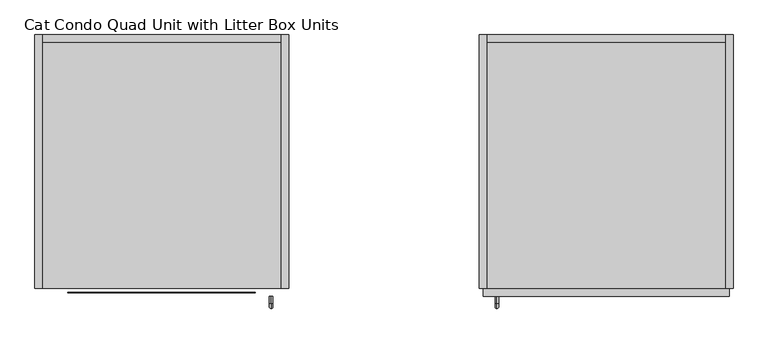
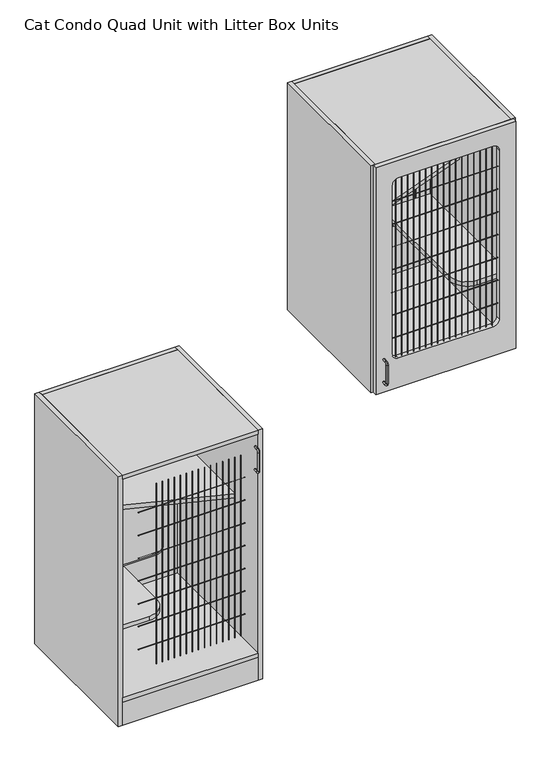
"""IFC4 building model written with IfcOpenShell, lengths in millimetres: proxy geometry, Cat Condo Quad Unit with Litter Box Units."""

from ifc_helpers import new_model, si_unit, point, frame, frame_2d, origin, origin_with_axes, place, context, project, spatial, polyline, circle_curve, ellipse_curve, trimmed, segment, composite_curve, outline, extrude, source, transform, mapped, element, save
from ifc_brep_helpers import plane_surface, cylinder_surface, revolved_surface, advanced_brep


def cat_condo_quad_unit_with_litter_box_units_7c416937(model_context):
    return source(origin(), model_context, "Body", "SolidModel", [
        advanced_brep(
        [(1109.2871577, -19.05, 1256.5493154), (1109.2871577, -19.05, 1264.4006846), (1109.2871577, -35.2117768, 1264.4006846), (1109.2871577, -35.2117768, 1256.5493154), (1109.2871577, -48.3756846, 1251.2367768), (1109.2871577, -40.5243154, 1251.2367768), (1109.2871577, -48.3756846, 1168.1132232), (1109.2871577, -40.5243154, 1168.1132232), (1109.2871577, -35.2117768, 1154.9493154), (1109.2871577, -35.2117768, 1162.8006846), (1109.2871577, -19.05, 1162.8006846), (1109.2871577, -19.05, 1154.9493154)],
        [
            (0, 1, circle_curve(frame((1109.2871577, -19.05, 1260.475), z_axis=(0.0, 1.0, 0.0), x_axis=(0.0, 0.0, 1.0)), 3.9256846)),
            (1, 0, circle_curve(frame((1109.2871577, -19.05, 1260.475), z_axis=(0.0, 1.0, 0.0), x_axis=(0.0, 0.0, 1.0)), 3.9256846)),
            (1, 2),
            (2, 3, circle_curve(frame((1109.2871577, -35.2117768, 1260.475), z_axis=(0.0, 1.0, 0.0), x_axis=(0.0, 0.0, 1.0)), 3.9256846)),
            (3, 0),
            (3, 2, circle_curve(frame((1109.2871577, -35.2117768, 1260.475), z_axis=(0.0, 1.0, 0.0), x_axis=(0.0, 0.0, 1.0)), 3.9256846)),
            (4, 5, circle_curve(frame((1109.2871577, -44.45, 1251.2367768), z_axis=(0.0, 0.0, 1.0), x_axis=(0.0, -1.0, 0.0)), 3.9256846)),
            (5, 3, circle_curve(frame((1109.2871577, -35.2117768, 1251.2367768), z_axis=(-1.0, 0.0, 0.0), x_axis=(0.0, 0.0, 1.0)), 5.3125387)),
            (2, 4, circle_curve(frame((1109.2871577, -35.2117768, 1251.2367768), z_axis=(1.0, 0.0, 0.0), x_axis=(0.0, 0.0, 1.0)), 13.1639078)),
            (5, 4, circle_curve(frame((1109.2871577, -44.45, 1251.2367768), z_axis=(0.0, 0.0, 1.0), x_axis=(0.0, -1.0, 0.0)), 3.9256846)),
            (4, 6),
            (6, 7, circle_curve(frame((1109.2871577, -44.45, 1168.1132232), z_axis=(0.0, 0.0, 1.0), x_axis=(0.0, -1.0, 0.0)), 3.9256846)),
            (7, 5),
            (7, 6, circle_curve(frame((1109.2871577, -44.45, 1168.1132232), z_axis=(0.0, 0.0, 1.0), x_axis=(0.0, -1.0, 0.0)), 3.9256846)),
            (8, 9, circle_curve(frame((1109.2871577, -35.2117768, 1158.875), z_axis=(0.0, -1.0, 0.0), x_axis=(0.0, 0.0, -1.0)), 3.9256846)),
            (9, 7, circle_curve(frame((1109.2871577, -35.2117768, 1168.1132232), z_axis=(-1.0, 0.0, 0.0), x_axis=(0.0, -1.0, 0.0)), 5.3125387)),
            (6, 8, circle_curve(frame((1109.2871577, -35.2117768, 1168.1132232), z_axis=(1.0, 0.0, 0.0), x_axis=(0.0, -1.0, 0.0)), 13.1639078)),
            (9, 8, circle_curve(frame((1109.2871577, -35.2117768, 1158.875), z_axis=(0.0, -1.0, 0.0), x_axis=(0.0, 0.0, -1.0)), 3.9256846)),
            (10, 11, circle_curve(frame((1109.2871577, -19.05, 1158.875), z_axis=(0.0, 1.0, 0.0), x_axis=(0.0, 0.0, -1.0)), 3.9256846)),
            (11, 10, circle_curve(frame((1109.2871577, -19.05, 1158.875), z_axis=(0.0, 1.0, 0.0), x_axis=(0.0, 0.0, -1.0)), 3.9256846)),
            (8, 11),
            (10, 9),
        ],
        [
            plane_surface(frame((1109.2871577, -19.05, 1260.475), z_axis=(0.0, 1.0, 0.0), x_axis=(-1.0, 0.0, 0.0))),
            cylinder_surface(frame((1109.2871577, -19.05, 1260.475), z_axis=(0.0, 1.0, 0.0), x_axis=(0.0, 0.0, 1.0)), 3.9256846),
            revolved_surface(trimmed(ellipse_curve(frame((1109.2871577, -35.2117768, 1260.475), z_axis=(0.0, -1.0, 0.0), x_axis=(0.0, 0.0, 1.0)), 3.9256846, 3.9256846), [point((1109.2871577, -35.2117768, 1256.5493154))], [point((1109.2871577, -35.2117768, 1264.4006846))], True, "CARTESIAN"), (1109.2871577, -35.2117768, 1251.2367768), (-1.0, 0.0, 0.0)),
            revolved_surface(trimmed(ellipse_curve(frame((1109.2871577, -35.2117768, 1260.475), z_axis=(0.0, -1.0, 0.0), x_axis=(0.0, 0.0, 1.0)), 3.9256846, 3.9256846), [point((1109.2871577, -35.2117768, 1264.4006846))], [point((1109.2871577, -35.2117768, 1256.5493154))], True, "CARTESIAN"), (1109.2871577, -35.2117768, 1251.2367768), (-1.0, 0.0, 0.0)),
            cylinder_surface(frame((1109.2871577, -44.45, 1251.2367768), z_axis=(0.0, 0.0, 1.0), x_axis=(0.0, -1.0, 0.0)), 3.9256846),
            revolved_surface(trimmed(ellipse_curve(frame((1109.2871577, -44.45, 1168.1132232), z_axis=(0.0, 0.0, -1.0), x_axis=(0.0, -1.0, 0.0)), 3.9256846, 3.9256846), [point((1109.2871577, -40.5243154, 1168.1132232))], [point((1109.2871577, -48.3756846, 1168.1132232))], True, "CARTESIAN"), (1109.2871577, -35.2117768, 1168.1132232), (-1.0, 0.0, 0.0)),
            revolved_surface(trimmed(ellipse_curve(frame((1109.2871577, -44.45, 1168.1132232), z_axis=(0.0, 0.0, -1.0), x_axis=(0.0, -1.0, 0.0)), 3.9256846, 3.9256846), [point((1109.2871577, -48.3756846, 1168.1132232))], [point((1109.2871577, -40.5243154, 1168.1132232))], True, "CARTESIAN"), (1109.2871577, -35.2117768, 1168.1132232), (-1.0, 0.0, 0.0)),
            plane_surface(frame((1109.2871577, -19.05, 1158.875), z_axis=(0.0, 1.0, 0.0), x_axis=(-1.0, 0.0, 0.0))),
            cylinder_surface(frame((1109.2871577, -35.2117768, 1158.875), z_axis=(0.0, -1.0, 0.0), x_axis=(0.0, 0.0, -1.0)), 3.9256846),
        ],
        [
            (0, [[1, 2]]),
            (1, [[3, 4, 5, -2]]),
            (1, [[-5, 6, -3, -1]]),
            (2, [[7, 8, -4, 9]]),
            (3, [[10, -9, -6, -8]]),
            (4, [[11, 12, 13, -7]]),
            (4, [[-13, 14, -11, -10]]),
            (5, [[15, 16, -12, 17]]),
            (6, [[18, -17, -14, -16]]),
            (7, [[19, 20]]),
            (8, [[21, -19, 22, -15]]),
            (8, [[-22, -20, -21, -18]]),
        ],
    ),
        extrude(outline(polyline([(1085.85, 590.55), (1657.35, 590.55), (1657.35, 0.0), (1085.85, 0.0), (1085.85, 590.55)])), frame((0.0, 0.0, 2108.2), z_axis=(0.0, 0.0, 1.0), x_axis=(1.0, 0.0, 0.0)), (0.0, 0.0, 1.0), 19.05),
        extrude(outline(composite_curve([segment(trimmed(circle_curve(frame_2d((2022.475, 1172.36875)), 25.4), [point((2047.875, 1172.36875))], [point((2022.475, 1146.96875))], False, "CARTESIAN"), True, "CONTINUOUS"), segment(polyline([(2022.475, 1146.96875), (1270.0, 1146.96875)]), True, "CONTINUOUS"), segment(trimmed(circle_curve(frame_2d((1270.0, 1172.36875)), 25.4), [point((1270.0, 1146.96875))], [point((1244.6, 1172.36875))], False, "CARTESIAN"), True, "CONTINUOUS"), segment(polyline([(1244.6, 1172.36875), (1244.6, 1572.41875)]), True, "CONTINUOUS"), segment(trimmed(circle_curve(frame_2d((1270.0, 1572.41875)), 25.4), [point((1244.6, 1572.41875))], [point((1270.0, 1597.81875))], False, "CARTESIAN"), True, "CONTINUOUS"), segment(polyline([(1270.0, 1597.81875), (2022.475, 1597.81875)]), True, "CONTINUOUS"), segment(trimmed(circle_curve(frame_2d((2022.475, 1572.41875)), 25.4), [point((2022.475, 1597.81875))], [point((2047.875, 1572.41875))], False, "CARTESIAN"), True, "CONTINUOUS"), segment(polyline([(2047.875, 1572.41875), (2047.875, 1172.36875)]), True, "CONTINUOUS")], self_intersect=False)), frame((0.0, 596.9, 0.0), z_axis=(0.0, 1.0, 0.0), x_axis=(0.0, 0.0, 1.0)), (0.0, 0.0, 1.0), 6.35),
        extrude(outline(polyline([(2127.25, 1085.85), (1114.425, 1085.85), (1114.425, 1657.35), (2127.25, 1657.35), (2127.25, 1085.85)]), holes=[composite_curve([segment(trimmed(circle_curve(frame_2d((2022.475, 1172.36875)), 25.4), [point((2022.475, 1146.96875))], [point((2047.875, 1172.36875))], True, "CARTESIAN"), True, "CONTINUOUS"), segment(polyline([(2047.875, 1172.36875), (2047.875, 1572.41875)]), True, "CONTINUOUS"), segment(trimmed(circle_curve(frame_2d((2022.475, 1572.41875)), 25.4), [point((2047.875, 1572.41875))], [point((2022.475, 1597.81875))], True, "CARTESIAN"), True, "CONTINUOUS"), segment(polyline([(2022.475, 1597.81875), (1371.6, 1597.81875)]), True, "CONTINUOUS"), segment(trimmed(circle_curve(frame_2d((1371.6, 1572.41875)), 25.4), [point((1371.6, 1597.81875))], [point((1346.2, 1572.41875))], True, "CARTESIAN"), True, "CONTINUOUS"), segment(polyline([(1346.2, 1572.41875), (1346.2, 1172.36875)]), True, "CONTINUOUS"), segment(trimmed(circle_curve(frame_2d((1371.6, 1172.36875)), 25.4), [point((1346.2, 1172.36875))], [point((1371.6, 1146.96875))], True, "CARTESIAN"), True, "CONTINUOUS"), segment(polyline([(1371.6, 1146.96875), (2022.475, 1146.96875)]), True, "CONTINUOUS")], self_intersect=False)]), frame((0.0, 590.55, 0.0), z_axis=(0.0, 1.0, 0.0), x_axis=(0.0, 0.0, 1.0)), (0.0, 0.0, 1.0), 19.05),
        extrude(outline(polyline([(1085.85, 590.55), (1657.35, 590.55), (1657.35, 374.65), (1085.85, 166.6410111), (1085.85, 590.55)])), frame((0.0, 0.0, 1724.025), z_axis=(0.0, 0.0, 1.0), x_axis=(1.0, 0.0, 0.0)), (0.0, 0.0, 1.0), 19.05),
        extrude(outline(composite_curve([segment(polyline([(1454.15, 590.55), (1657.35, 590.55), (1657.35, 25.4), (1530.35, 25.4)]), True, "CONTINUOUS"), segment(trimmed(circle_curve(frame_2d((1530.35, 101.6)), 76.2), [point((1530.35, 25.4))], [point((1454.15, 101.6))], False, "CARTESIAN"), True, "CONTINUOUS"), segment(polyline([(1454.15, 101.6), (1454.15, 590.55)]), True, "CONTINUOUS")], self_intersect=False)), frame((0.0, 0.0, 1419.225), z_axis=(0.0, 0.0, 1.0), x_axis=(1.0, 0.0, 0.0)), (0.0, 0.0, 1.0), 19.05),
        extrude(outline(polyline([(1085.85, 0.0), (1085.85, 590.55), (1657.35, 590.55), (1657.35, 0.0), (1085.85, 0.0)])), frame((0.0, 0.0, 1114.425), z_axis=(0.0, 0.0, 1.0), x_axis=(1.0, 0.0, 0.0)), (0.0, 0.0, 1.0), 19.05),
        extrude(outline(polyline([(1085.85, 609.6), (1085.85, 0.0), (1066.8, 0.0), (1066.8, 609.6), (1085.85, 609.6)])), frame((0.0, 0.0, 1114.425), z_axis=(0.0, 0.0, 1.0), x_axis=(1.0, 0.0, 0.0)), (0.0, 0.0, 1.0), 1012.825),
        extrude(outline(polyline([(1657.35, 609.6), (1676.4, 609.6), (1676.4, 0.0), (1657.35, 0.0), (1657.35, 609.6)])), frame((0.0, 0.0, 1114.425), z_axis=(0.0, 0.0, 1.0), x_axis=(1.0, 0.0, 0.0)), (0.0, 0.0, 1.0), 1012.825),
        extrude(outline(composite_curve([segment(trimmed(circle_curve(frame_2d((-9.6602248, 1944.6875)), 0.79375), [point((-9.6602248, 1945.48125))], [point((-9.6602248, 1943.89375))], False, "CARTESIAN"), True, "CONTINUOUS"), segment(trimmed(circle_curve(frame_2d((-9.6602248, 1944.6875)), 0.79375), [point((-9.6602248, 1943.89375))], [point((-9.6602248, 1945.48125))], False, "CARTESIAN"), True, "CONTINUOUS")], self_intersect=False)), frame((1146.96875, 0.0, 0.0), z_axis=(1.0, 0.0, 0.0), x_axis=(0.0, 1.0, 0.0)), (0.0, 0.0, 1.0), 450.85),
        extrude(outline(composite_curve([segment(trimmed(circle_curve(frame_2d((-9.6602248, 1843.0875)), 0.79375), [point((-9.6602248, 1843.88125))], [point((-9.6602248, 1842.29375))], False, "CARTESIAN"), True, "CONTINUOUS"), segment(trimmed(circle_curve(frame_2d((-9.6602248, 1843.0875)), 0.79375), [point((-9.6602248, 1842.29375))], [point((-9.6602248, 1843.88125))], False, "CARTESIAN"), True, "CONTINUOUS")], self_intersect=False)), frame((1146.96875, 0.0, 0.0), z_axis=(1.0, 0.0, 0.0), x_axis=(0.0, 1.0, 0.0)), (0.0, 0.0, 1.0), 450.85),
        extrude(outline(composite_curve([segment(trimmed(circle_curve(frame_2d((-9.6602248, 1741.4875)), 0.79375), [point((-9.6602248, 1742.28125))], [point((-9.6602248, 1740.69375))], False, "CARTESIAN"), True, "CONTINUOUS"), segment(trimmed(circle_curve(frame_2d((-9.6602248, 1741.4875)), 0.79375), [point((-9.6602248, 1740.69375))], [point((-9.6602248, 1742.28125))], False, "CARTESIAN"), True, "CONTINUOUS")], self_intersect=False)), frame((1146.96875, 0.0, 0.0), z_axis=(1.0, 0.0, 0.0), x_axis=(0.0, 1.0, 0.0)), (0.0, 0.0, 1.0), 450.85),
        extrude(outline(composite_curve([segment(trimmed(circle_curve(frame_2d((-9.6602248, 1639.8875)), 0.79375), [point((-9.6602248, 1640.68125))], [point((-9.6602248, 1639.09375))], False, "CARTESIAN"), True, "CONTINUOUS"), segment(trimmed(circle_curve(frame_2d((-9.6602248, 1639.8875)), 0.79375), [point((-9.6602248, 1639.09375))], [point((-9.6602248, 1640.68125))], False, "CARTESIAN"), True, "CONTINUOUS")], self_intersect=False)), frame((1146.96875, 0.0, 0.0), z_axis=(1.0, 0.0, 0.0), x_axis=(0.0, 1.0, 0.0)), (0.0, 0.0, 1.0), 450.85),
        extrude(outline(composite_curve([segment(trimmed(circle_curve(frame_2d((-9.6602248, 1538.2875)), 0.79375), [point((-9.6602248, 1539.08125))], [point((-9.6602248, 1537.49375))], False, "CARTESIAN"), True, "CONTINUOUS"), segment(trimmed(circle_curve(frame_2d((-9.6602248, 1538.2875)), 0.79375), [point((-9.6602248, 1537.49375))], [point((-9.6602248, 1539.08125))], False, "CARTESIAN"), True, "CONTINUOUS")], self_intersect=False)), frame((1146.96875, 0.0, 0.0), z_axis=(1.0, 0.0, 0.0), x_axis=(0.0, 1.0, 0.0)), (0.0, 0.0, 1.0), 450.85),
        extrude(outline(composite_curve([segment(trimmed(circle_curve(frame_2d((-9.6602248, 1436.6875)), 0.79375), [point((-9.6602248, 1437.48125))], [point((-9.6602248, 1435.89375))], False, "CARTESIAN"), True, "CONTINUOUS"), segment(trimmed(circle_curve(frame_2d((-9.6602248, 1436.6875)), 0.79375), [point((-9.6602248, 1435.89375))], [point((-9.6602248, 1437.48125))], False, "CARTESIAN"), True, "CONTINUOUS")], self_intersect=False)), frame((1146.96875, 0.0, 0.0), z_axis=(1.0, 0.0, 0.0), x_axis=(0.0, 1.0, 0.0)), (0.0, 0.0, 1.0), 450.85),
        extrude(outline(composite_curve([segment(trimmed(circle_curve(frame_2d((-9.6602248, 1335.0875)), 0.79375), [point((-9.6602248, 1335.88125))], [point((-9.6602248, 1334.29375))], False, "CARTESIAN"), True, "CONTINUOUS"), segment(trimmed(circle_curve(frame_2d((-9.6602248, 1335.0875)), 0.79375), [point((-9.6602248, 1334.29375))], [point((-9.6602248, 1335.88125))], False, "CARTESIAN"), True, "CONTINUOUS")], self_intersect=False)), frame((1146.96875, 0.0, 0.0), z_axis=(1.0, 0.0, 0.0), x_axis=(0.0, 1.0, 0.0)), (0.0, 0.0, 1.0), 450.85),
        extrude(outline(composite_curve([segment(trimmed(circle_curve(frame_2d((1165.3080335, -9.6602248)), 0.79375), [point((1166.1017835, -9.6602248))], [point((1164.5142835, -9.6602248))], False, "CARTESIAN"), True, "CONTINUOUS"), segment(trimmed(circle_curve(frame_2d((1165.3080335, -9.6602248)), 0.79375), [point((1164.5142835, -9.6602248))], [point((1166.1017835, -9.6602248))], False, "CARTESIAN"), True, "CONTINUOUS")], self_intersect=False)), frame((0.0, 0.0, 1244.6), z_axis=(0.0, 0.0, 1.0), x_axis=(1.0, 0.0, 0.0)), (0.0, 0.0, 1.0), 803.275),
        extrude(outline(composite_curve([segment(trimmed(circle_curve(frame_2d((1190.7080335, -9.6602248)), 0.79375), [point((1191.5017835, -9.6602248))], [point((1189.9142835, -9.6602248))], False, "CARTESIAN"), True, "CONTINUOUS"), segment(trimmed(circle_curve(frame_2d((1190.7080335, -9.6602248)), 0.79375), [point((1189.9142835, -9.6602248))], [point((1191.5017835, -9.6602248))], False, "CARTESIAN"), True, "CONTINUOUS")], self_intersect=False)), frame((0.0, 0.0, 1244.6), z_axis=(0.0, 0.0, 1.0), x_axis=(1.0, 0.0, 0.0)), (0.0, 0.0, 1.0), 803.275),
        extrude(outline(composite_curve([segment(trimmed(circle_curve(frame_2d((1216.1080335, -9.6602248)), 0.79375), [point((1216.9017835, -9.6602248))], [point((1215.3142835, -9.6602248))], False, "CARTESIAN"), True, "CONTINUOUS"), segment(trimmed(circle_curve(frame_2d((1216.1080335, -9.6602248)), 0.79375), [point((1215.3142835, -9.6602248))], [point((1216.9017835, -9.6602248))], False, "CARTESIAN"), True, "CONTINUOUS")], self_intersect=False)), frame((0.0, 0.0, 1244.6), z_axis=(0.0, 0.0, 1.0), x_axis=(1.0, 0.0, 0.0)), (0.0, 0.0, 1.0), 803.275),
        extrude(outline(composite_curve([segment(trimmed(circle_curve(frame_2d((1241.5080335, -9.6602248)), 0.79375), [point((1242.3017835, -9.6602248))], [point((1240.7142835, -9.6602248))], False, "CARTESIAN"), True, "CONTINUOUS"), segment(trimmed(circle_curve(frame_2d((1241.5080335, -9.6602248)), 0.79375), [point((1240.7142835, -9.6602248))], [point((1242.3017835, -9.6602248))], False, "CARTESIAN"), True, "CONTINUOUS")], self_intersect=False)), frame((0.0, 0.0, 1244.6), z_axis=(0.0, 0.0, 1.0), x_axis=(1.0, 0.0, 0.0)), (0.0, 0.0, 1.0), 803.275),
        extrude(outline(composite_curve([segment(trimmed(circle_curve(frame_2d((1266.9080335, -9.6602248)), 0.79375), [point((1267.7017835, -9.6602248))], [point((1266.1142835, -9.6602248))], False, "CARTESIAN"), True, "CONTINUOUS"), segment(trimmed(circle_curve(frame_2d((1266.9080335, -9.6602248)), 0.79375), [point((1266.1142835, -9.6602248))], [point((1267.7017835, -9.6602248))], False, "CARTESIAN"), True, "CONTINUOUS")], self_intersect=False)), frame((0.0, 0.0, 1244.6), z_axis=(0.0, 0.0, 1.0), x_axis=(1.0, 0.0, 0.0)), (0.0, 0.0, 1.0), 803.275),
        extrude(outline(composite_curve([segment(trimmed(circle_curve(frame_2d((1292.3080335, -9.6602248)), 0.79375), [point((1293.1017835, -9.6602248))], [point((1291.5142835, -9.6602248))], False, "CARTESIAN"), True, "CONTINUOUS"), segment(trimmed(circle_curve(frame_2d((1292.3080335, -9.6602248)), 0.79375), [point((1291.5142835, -9.6602248))], [point((1293.1017835, -9.6602248))], False, "CARTESIAN"), True, "CONTINUOUS")], self_intersect=False)), frame((0.0, 0.0, 1244.6), z_axis=(0.0, 0.0, 1.0), x_axis=(1.0, 0.0, 0.0)), (0.0, 0.0, 1.0), 803.275),
        extrude(outline(composite_curve([segment(trimmed(circle_curve(frame_2d((1317.7080335, -9.6602248)), 0.79375), [point((1318.5017835, -9.6602248))], [point((1316.9142835, -9.6602248))], False, "CARTESIAN"), True, "CONTINUOUS"), segment(trimmed(circle_curve(frame_2d((1317.7080335, -9.6602248)), 0.79375), [point((1316.9142835, -9.6602248))], [point((1318.5017835, -9.6602248))], False, "CARTESIAN"), True, "CONTINUOUS")], self_intersect=False)), frame((0.0, 0.0, 1244.6), z_axis=(0.0, 0.0, 1.0), x_axis=(1.0, 0.0, 0.0)), (0.0, 0.0, 1.0), 803.275),
        extrude(outline(composite_curve([segment(trimmed(circle_curve(frame_2d((1343.1080335, -9.6602248)), 0.79375), [point((1343.9017835, -9.6602248))], [point((1342.3142835, -9.6602248))], False, "CARTESIAN"), True, "CONTINUOUS"), segment(trimmed(circle_curve(frame_2d((1343.1080335, -9.6602248)), 0.79375), [point((1342.3142835, -9.6602248))], [point((1343.9017835, -9.6602248))], False, "CARTESIAN"), True, "CONTINUOUS")], self_intersect=False)), frame((0.0, 0.0, 1244.6), z_axis=(0.0, 0.0, 1.0), x_axis=(1.0, 0.0, 0.0)), (0.0, 0.0, 1.0), 803.275),
        extrude(outline(composite_curve([segment(trimmed(circle_curve(frame_2d((1368.5080335, -9.6602248)), 0.79375), [point((1369.3017835, -9.6602248))], [point((1367.7142835, -9.6602248))], False, "CARTESIAN"), True, "CONTINUOUS"), segment(trimmed(circle_curve(frame_2d((1368.5080335, -9.6602248)), 0.79375), [point((1367.7142835, -9.6602248))], [point((1369.3017835, -9.6602248))], False, "CARTESIAN"), True, "CONTINUOUS")], self_intersect=False)), frame((0.0, 0.0, 1244.6), z_axis=(0.0, 0.0, 1.0), x_axis=(1.0, 0.0, 0.0)), (0.0, 0.0, 1.0), 803.275),
        extrude(outline(composite_curve([segment(trimmed(circle_curve(frame_2d((1393.9080335, -9.6602248)), 0.79375), [point((1394.7017835, -9.6602248))], [point((1393.1142835, -9.6602248))], False, "CARTESIAN"), True, "CONTINUOUS"), segment(trimmed(circle_curve(frame_2d((1393.9080335, -9.6602248)), 0.79375), [point((1393.1142835, -9.6602248))], [point((1394.7017835, -9.6602248))], False, "CARTESIAN"), True, "CONTINUOUS")], self_intersect=False)), frame((0.0, 0.0, 1244.6), z_axis=(0.0, 0.0, 1.0), x_axis=(1.0, 0.0, 0.0)), (0.0, 0.0, 1.0), 803.275),
        extrude(outline(composite_curve([segment(trimmed(circle_curve(frame_2d((1419.3080335, -9.6602248)), 0.79375), [point((1420.1017835, -9.6602248))], [point((1418.5142835, -9.6602248))], False, "CARTESIAN"), True, "CONTINUOUS"), segment(trimmed(circle_curve(frame_2d((1419.3080335, -9.6602248)), 0.79375), [point((1418.5142835, -9.6602248))], [point((1420.1017835, -9.6602248))], False, "CARTESIAN"), True, "CONTINUOUS")], self_intersect=False)), frame((0.0, 0.0, 1244.6), z_axis=(0.0, 0.0, 1.0), x_axis=(1.0, 0.0, 0.0)), (0.0, 0.0, 1.0), 803.275),
        extrude(outline(composite_curve([segment(trimmed(circle_curve(frame_2d((1444.7080335, -9.6602248)), 0.79375), [point((1445.5017835, -9.6602248))], [point((1443.9142835, -9.6602248))], False, "CARTESIAN"), True, "CONTINUOUS"), segment(trimmed(circle_curve(frame_2d((1444.7080335, -9.6602248)), 0.79375), [point((1443.9142835, -9.6602248))], [point((1445.5017835, -9.6602248))], False, "CARTESIAN"), True, "CONTINUOUS")], self_intersect=False)), frame((0.0, 0.0, 1244.6), z_axis=(0.0, 0.0, 1.0), x_axis=(1.0, 0.0, 0.0)), (0.0, 0.0, 1.0), 803.275),
        extrude(outline(composite_curve([segment(trimmed(circle_curve(frame_2d((1470.1080335, -9.6602248)), 0.79375), [point((1470.9017835, -9.6602248))], [point((1469.3142835, -9.6602248))], False, "CARTESIAN"), True, "CONTINUOUS"), segment(trimmed(circle_curve(frame_2d((1470.1080335, -9.6602248)), 0.79375), [point((1469.3142835, -9.6602248))], [point((1470.9017835, -9.6602248))], False, "CARTESIAN"), True, "CONTINUOUS")], self_intersect=False)), frame((0.0, 0.0, 1244.6), z_axis=(0.0, 0.0, 1.0), x_axis=(1.0, 0.0, 0.0)), (0.0, 0.0, 1.0), 803.275),
        extrude(outline(composite_curve([segment(trimmed(circle_curve(frame_2d((1495.5080335, -9.6602248)), 0.79375), [point((1496.3017835, -9.6602248))], [point((1494.7142835, -9.6602248))], False, "CARTESIAN"), True, "CONTINUOUS"), segment(trimmed(circle_curve(frame_2d((1495.5080335, -9.6602248)), 0.79375), [point((1494.7142835, -9.6602248))], [point((1496.3017835, -9.6602248))], False, "CARTESIAN"), True, "CONTINUOUS")], self_intersect=False)), frame((0.0, 0.0, 1244.6), z_axis=(0.0, 0.0, 1.0), x_axis=(1.0, 0.0, 0.0)), (0.0, 0.0, 1.0), 803.275),
        extrude(outline(composite_curve([segment(trimmed(circle_curve(frame_2d((1520.9080335, -9.6602248)), 0.79375), [point((1521.7017835, -9.6602248))], [point((1520.1142835, -9.6602248))], False, "CARTESIAN"), True, "CONTINUOUS"), segment(trimmed(circle_curve(frame_2d((1520.9080335, -9.6602248)), 0.79375), [point((1520.1142835, -9.6602248))], [point((1521.7017835, -9.6602248))], False, "CARTESIAN"), True, "CONTINUOUS")], self_intersect=False)), frame((0.0, 0.0, 1244.6), z_axis=(0.0, 0.0, 1.0), x_axis=(1.0, 0.0, 0.0)), (0.0, 0.0, 1.0), 803.275),
        extrude(outline(composite_curve([segment(trimmed(circle_curve(frame_2d((1546.3080335, -9.6602248)), 0.79375), [point((1547.1017835, -9.6602248))], [point((1545.5142835, -9.6602248))], False, "CARTESIAN"), True, "CONTINUOUS"), segment(trimmed(circle_curve(frame_2d((1546.3080335, -9.6602248)), 0.79375), [point((1545.5142835, -9.6602248))], [point((1547.1017835, -9.6602248))], False, "CARTESIAN"), True, "CONTINUOUS")], self_intersect=False)), frame((0.0, 0.0, 1244.6), z_axis=(0.0, 0.0, 1.0), x_axis=(1.0, 0.0, 0.0)), (0.0, 0.0, 1.0), 803.275),
        extrude(outline(composite_curve([segment(trimmed(circle_curve(frame_2d((1571.7080335, -9.6602248)), 0.79375), [point((1572.5017835, -9.6602248))], [point((1570.9142835, -9.6602248))], False, "CARTESIAN"), True, "CONTINUOUS"), segment(trimmed(circle_curve(frame_2d((1571.7080335, -9.6602248)), 0.79375), [point((1570.9142835, -9.6602248))], [point((1572.5017835, -9.6602248))], False, "CARTESIAN"), True, "CONTINUOUS")], self_intersect=False)), frame((0.0, 0.0, 1244.6), z_axis=(0.0, 0.0, 1.0), x_axis=(1.0, 0.0, 0.0)), (0.0, 0.0, 1.0), 803.275),
        extrude(outline(polyline([(2127.25, 1076.325), (1114.425, 1076.325), (1114.425, 1666.875), (2127.25, 1666.875), (2127.25, 1076.325)]), holes=[composite_curve([segment(trimmed(circle_curve(frame_2d((2022.475, 1572.41875)), 25.4), [point((2047.875, 1572.41875))], [point((2022.475, 1597.81875))], True, "CARTESIAN"), True, "CONTINUOUS"), segment(polyline([(2022.475, 1597.81875), (1270.0, 1597.81875)]), True, "CONTINUOUS"), segment(trimmed(circle_curve(frame_2d((1270.0, 1572.41875)), 25.4), [point((1270.0, 1597.81875))], [point((1244.6, 1572.41875))], True, "CARTESIAN"), True, "CONTINUOUS"), segment(polyline([(1244.6, 1572.41875), (1244.6, 1172.36875)]), True, "CONTINUOUS"), segment(trimmed(circle_curve(frame_2d((1270.0, 1172.36875)), 25.4), [point((1244.6, 1172.36875))], [point((1270.0, 1146.96875))], True, "CARTESIAN"), True, "CONTINUOUS"), segment(polyline([(1270.0, 1146.96875), (2022.475, 1146.96875)]), True, "CONTINUOUS"), segment(trimmed(circle_curve(frame_2d((2022.475, 1172.36875)), 25.4), [point((2022.475, 1146.96875))], [point((2047.875, 1172.36875))], True, "CARTESIAN"), True, "CONTINUOUS"), segment(polyline([(2047.875, 1172.36875), (2047.875, 1572.41875)]), True, "CONTINUOUS")], self_intersect=False)]), frame((0.0, -19.05, 0.0), z_axis=(0.0, 1.0, 0.0), x_axis=(0.0, 0.0, 1.0)), (0.0, 0.0, 1.0), 19.05),
        advanced_brep(
        [(567.1128423, -19.05, 1056.5243154), (567.1128423, -19.05, 1064.3756846), (567.1128423, -35.2117768, 1064.3756846), (567.1128423, -35.2117768, 1056.5243154), (567.1128423, -35.2117768, 962.7756846), (567.1128423, -35.2117768, 954.9243154), (567.1128423, -19.05, 954.9243154), (567.1128423, -19.05, 962.7756846), (567.1128423, -48.3756846, 1051.2117768), (567.1128423, -40.5243154, 1051.2117768), (567.1128423, -40.5243154, 968.0882232), (567.1128423, -48.3756846, 968.0882232)],
        [
            (0, 1, circle_curve(frame((567.1128423, -19.05, 1060.45), z_axis=(0.0, 1.0, 0.0), x_axis=(0.0, 0.0, 1.0)), 3.9256846)),
            (1, 0, circle_curve(frame((567.1128423, -19.05, 1060.45), z_axis=(0.0, 1.0, 0.0), x_axis=(0.0, 0.0, 1.0)), 3.9256846)),
            (1, 2),
            (2, 3, circle_curve(frame((567.1128423, -35.2117768, 1060.45), z_axis=(0.0, 1.0, 0.0), x_axis=(0.0, 0.0, 1.0)), 3.9256846)),
            (3, 0),
            (4, 5, circle_curve(frame((567.1128423, -35.2117768, 958.85), z_axis=(0.0, 1.0, 0.0), x_axis=(0.0, 0.0, -1.0)), 3.9256846)),
            (5, 6),
            (6, 7, circle_curve(frame((567.1128423, -19.05, 958.85), z_axis=(0.0, -1.0, 0.0), x_axis=(0.0, 0.0, -1.0)), 3.9256846)),
            (7, 4),
            (3, 2, circle_curve(frame((567.1128423, -35.2117768, 1060.45), z_axis=(0.0, 1.0, 0.0), x_axis=(0.0, 0.0, 1.0)), 3.9256846)),
            (8, 2, circle_curve(frame((567.1128423, -35.2117768, 1051.2117768), z_axis=(-1.0, 0.0, 0.0), x_axis=(0.0, 0.0, 1.0)), 13.1639078)),
            (3, 9, circle_curve(frame((567.1128423, -35.2117768, 1051.2117768), z_axis=(1.0, 0.0, 0.0), x_axis=(0.0, 0.0, 1.0)), 5.3125387)),
            (9, 8, circle_curve(frame((567.1128423, -44.45, 1051.2117768), z_axis=(0.0, 0.0, 1.0), x_axis=(0.0, -1.0, 0.0)), 3.9256846)),
            (8, 9, circle_curve(frame((567.1128423, -44.45, 1051.2117768), z_axis=(0.0, 0.0, 1.0), x_axis=(0.0, -1.0, 0.0)), 3.9256846)),
            (9, 10),
            (10, 11, circle_curve(frame((567.1128423, -44.45, 968.0882232), z_axis=(0.0, 0.0, 1.0), x_axis=(0.0, -1.0, 0.0)), 3.9256846)),
            (11, 8),
            (11, 10, circle_curve(frame((567.1128423, -44.45, 968.0882232), z_axis=(0.0, 0.0, 1.0), x_axis=(0.0, -1.0, 0.0)), 3.9256846)),
            (5, 11, circle_curve(frame((567.1128423, -35.2117768, 968.0882232), z_axis=(-1.0, 0.0, 0.0), x_axis=(0.0, -1.0, 0.0)), 13.1639078)),
            (10, 4, circle_curve(frame((567.1128423, -35.2117768, 968.0882232), z_axis=(1.0, 0.0, 0.0), x_axis=(0.0, -1.0, 0.0)), 5.3125387)),
            (4, 5, circle_curve(frame((567.1128423, -35.2117768, 958.85), z_axis=(0.0, -1.0, 0.0), x_axis=(0.0, 0.0, -1.0)), 3.9256846)),
            (6, 7, circle_curve(frame((567.1128423, -19.05, 958.85), z_axis=(0.0, 1.0, 0.0), x_axis=(0.0, 0.0, -1.0)), 3.9256846)),
        ],
        [
            plane_surface(frame((567.1128423, -19.05, 1060.45), z_axis=(0.0, 1.0, 0.0), x_axis=(1.0, 0.0, 0.0))),
            cylinder_surface(frame((567.1128423, -19.05, 1060.45), z_axis=(0.0, 1.0, 0.0), x_axis=(0.0, 0.0, 1.0)), 3.9256846),
            cylinder_surface(frame((567.1128423, -35.2117768, 958.85), z_axis=(0.0, -1.0, 0.0), x_axis=(0.0, 0.0, -1.0)), 3.9256846),
            revolved_surface(trimmed(ellipse_curve(frame((567.1128423, -35.2117768, 1060.45), z_axis=(0.0, 1.0, 0.0), x_axis=(0.0, 0.0, 1.0)), 3.9256846, 3.9256846), [point((567.1128423, -35.2117768, 1056.5243154))], [point((567.1128423, -35.2117768, 1064.3756846))], True, "CARTESIAN"), (567.1128423, -35.2117768, 1051.2117768), (1.0, 0.0, 0.0)),
            revolved_surface(trimmed(ellipse_curve(frame((567.1128423, -35.2117768, 1060.45), z_axis=(0.0, 1.0, 0.0), x_axis=(0.0, 0.0, 1.0)), 3.9256846, 3.9256846), [point((567.1128423, -35.2117768, 1064.3756846))], [point((567.1128423, -35.2117768, 1056.5243154))], True, "CARTESIAN"), (567.1128423, -35.2117768, 1051.2117768), (1.0, 0.0, 0.0)),
            cylinder_surface(frame((567.1128423, -44.45, 1051.2117768), z_axis=(0.0, 0.0, 1.0), x_axis=(0.0, -1.0, 0.0)), 3.9256846),
            revolved_surface(trimmed(ellipse_curve(frame((567.1128423, -44.45, 968.0882232), z_axis=(0.0, 0.0, 1.0), x_axis=(0.0, -1.0, 0.0)), 3.9256846, 3.9256846), [point((567.1128423, -40.5243154, 968.0882232))], [point((567.1128423, -48.3756846, 968.0882232))], True, "CARTESIAN"), (567.1128423, -35.2117768, 968.0882232), (1.0, 0.0, 0.0)),
            revolved_surface(trimmed(ellipse_curve(frame((567.1128423, -44.45, 968.0882232), z_axis=(0.0, 0.0, 1.0), x_axis=(0.0, -1.0, 0.0)), 3.9256846, 3.9256846), [point((567.1128423, -48.3756846, 968.0882232))], [point((567.1128423, -40.5243154, 968.0882232))], True, "CARTESIAN"), (567.1128423, -35.2117768, 968.0882232), (1.0, 0.0, 0.0)),
            plane_surface(frame((567.1128423, -19.05, 958.85), z_axis=(0.0, 1.0, 0.0), x_axis=(1.0, 0.0, 0.0))),
        ],
        [
            (0, [[1, 2]]),
            (1, [[-2, 3, 4, 5]]),
            (2, [[6, 7, 8, 9]]),
            (1, [[-1, -5, 10, -3]]),
            (3, [[11, -10, 12, 13]]),
            (4, [[-12, -4, -11, 14]]),
            (5, [[-13, 15, 16, 17]]),
            (5, [[-14, -17, 18, -15]]),
            (6, [[19, -16, 20, 21]]),
            (7, [[-20, -18, -19, -6]]),
            (8, [[-8, 22]]),
            (2, [[-21, -9, -22, -7]]),
        ],
    ),
        extrude(outline(polyline([(590.55, 590.55), (590.55, 0.0), (19.05, 0.0), (19.05, 590.55), (590.55, 590.55)])), frame((0.0, 0.0, 1095.375), z_axis=(0.0, 0.0, 1.0), x_axis=(1.0, 0.0, 0.0)), (0.0, 0.0, 1.0), 19.05),
        extrude(outline(composite_curve([segment(polyline([(1035.05, 504.03125), (1035.05, 103.98125)]), True, "CONTINUOUS"), segment(trimmed(circle_curve(frame_2d((1009.65, 103.98125)), 25.4), [point((1035.05, 103.98125))], [point((1009.65, 78.58125))], False, "CARTESIAN"), True, "CONTINUOUS"), segment(polyline([(1009.65, 78.58125), (257.175, 78.58125)]), True, "CONTINUOUS"), segment(trimmed(circle_curve(frame_2d((257.175, 103.98125)), 25.4), [point((257.175, 78.58125))], [point((231.775, 103.98125))], False, "CARTESIAN"), True, "CONTINUOUS"), segment(polyline([(231.775, 103.98125), (231.775, 504.03125)]), True, "CONTINUOUS"), segment(trimmed(circle_curve(frame_2d((257.175, 504.03125)), 25.4), [point((231.775, 504.03125))], [point((257.175, 529.43125))], False, "CARTESIAN"), True, "CONTINUOUS"), segment(polyline([(257.175, 529.43125), (1009.65, 529.43125)]), True, "CONTINUOUS"), segment(trimmed(circle_curve(frame_2d((1009.65, 504.03125)), 25.4), [point((1009.65, 529.43125))], [point((1035.05, 504.03125))], False, "CARTESIAN"), True, "CONTINUOUS")], self_intersect=False)), frame((0.0, 596.9, 0.0), z_axis=(0.0, 1.0, 0.0), x_axis=(0.0, 0.0, 1.0)), (0.0, 0.0, 1.0), 6.35),
        extrude(outline(polyline([(1114.425, 590.55), (1114.425, 19.05), (0.0, 19.05), (0.0, 590.55), (1114.425, 590.55)]), holes=[composite_curve([segment(polyline([(1009.65, 529.43125), (257.175, 529.43125)]), True, "CONTINUOUS"), segment(trimmed(circle_curve(frame_2d((257.175, 504.03125)), 25.4), [point((257.175, 529.43125))], [point((231.775, 504.03125))], True, "CARTESIAN"), True, "CONTINUOUS"), segment(polyline([(231.775, 504.03125), (231.775, 103.98125)]), True, "CONTINUOUS"), segment(trimmed(circle_curve(frame_2d((257.175, 103.98125)), 25.4), [point((231.775, 103.98125))], [point((257.175, 78.58125))], True, "CARTESIAN"), True, "CONTINUOUS"), segment(polyline([(257.175, 78.58125), (1009.65, 78.58125)]), True, "CONTINUOUS"), segment(trimmed(circle_curve(frame_2d((1009.65, 103.98125)), 25.4), [point((1009.65, 78.58125))], [point((1035.05, 103.98125))], True, "CARTESIAN"), True, "CONTINUOUS"), segment(polyline([(1035.05, 103.98125), (1035.05, 504.03125)]), True, "CONTINUOUS"), segment(trimmed(circle_curve(frame_2d((1009.65, 504.03125)), 25.4), [point((1035.05, 504.03125))], [point((1009.65, 529.43125))], True, "CARTESIAN"), True, "CONTINUOUS")], self_intersect=False)]), frame((0.0, 590.55, 0.0), z_axis=(0.0, 1.0, 0.0), x_axis=(0.0, 0.0, 1.0)), (0.0, 0.0, 1.0), 19.05),
        extrude(outline(polyline([(590.55, 590.55), (590.55, 166.6410111), (19.05, 374.65), (19.05, 590.55), (590.55, 590.55)])), frame((0.0, 0.0, 711.2), z_axis=(0.0, 0.0, 1.0), x_axis=(1.0, 0.0, 0.0)), (0.0, 0.0, 1.0), 19.05),
        extrude(outline(composite_curve([segment(polyline([(222.25, 590.55), (222.25, 101.6)]), True, "CONTINUOUS"), segment(trimmed(circle_curve(frame_2d((146.05, 101.6)), 76.2), [point((222.25, 101.6))], [point((146.05, 25.4))], False, "CARTESIAN"), True, "CONTINUOUS"), segment(polyline([(146.05, 25.4), (19.05, 25.4), (19.05, 590.55), (222.25, 590.55)]), True, "CONTINUOUS")], self_intersect=False)), frame((0.0, 0.0, 406.4), z_axis=(0.0, 0.0, 1.0), x_axis=(1.0, 0.0, 0.0)), (0.0, 0.0, 1.0), 19.05),
        extrude(outline(polyline([(590.55, 0.0), (19.05, 0.0), (19.05, 590.55), (590.55, 590.55), (590.55, 0.0)])), frame((0.0, 0.0, 101.6), z_axis=(0.0, 0.0, 1.0), x_axis=(1.0, 0.0, 0.0)), (0.0, 0.0, 1.0), 19.05),
        extrude(outline(polyline([(590.55, 19.05), (590.55, 0.0), (19.05, 0.0), (19.05, 19.05), (590.55, 19.05)])), origin_with_axes(), (0.0, 0.0, 1.0), 101.6),
        extrude(outline(polyline([(590.55, 609.6), (609.6, 609.6), (609.6, 0.0), (590.55, 0.0), (590.55, 609.6)])), origin_with_axes(), (0.0, 0.0, 1.0), 1114.425),
        extrude(outline(polyline([(19.05, 609.6), (19.05, 0.0), (0.0, 0.0), (0.0, 609.6), (19.05, 609.6)])), origin_with_axes(), (0.0, 0.0, 1.0), 1114.425),
        extrude(outline(composite_curve([segment(trimmed(circle_curve(frame_2d((-9.6602248, 931.8625)), 0.79375), [point((-9.6602248, 932.65625))], [point((-9.6602248, 931.06875))], False, "CARTESIAN"), True, "CONTINUOUS"), segment(trimmed(circle_curve(frame_2d((-9.6602248, 931.8625)), 0.79375), [point((-9.6602248, 931.06875))], [point((-9.6602248, 932.65625))], False, "CARTESIAN"), True, "CONTINUOUS")], self_intersect=False)), frame((78.58125, 0.0, 0.0), z_axis=(1.0, 0.0, 0.0), x_axis=(0.0, 1.0, 0.0)), (0.0, 0.0, 1.0), 450.85),
        extrude(outline(composite_curve([segment(trimmed(circle_curve(frame_2d((-9.6602248, 830.2625)), 0.79375), [point((-9.6602248, 831.05625))], [point((-9.6602248, 829.46875))], False, "CARTESIAN"), True, "CONTINUOUS"), segment(trimmed(circle_curve(frame_2d((-9.6602248, 830.2625)), 0.79375), [point((-9.6602248, 829.46875))], [point((-9.6602248, 831.05625))], False, "CARTESIAN"), True, "CONTINUOUS")], self_intersect=False)), frame((78.58125, 0.0, 0.0), z_axis=(1.0, 0.0, 0.0), x_axis=(0.0, 1.0, 0.0)), (0.0, 0.0, 1.0), 450.85),
        extrude(outline(composite_curve([segment(trimmed(circle_curve(frame_2d((-9.6602248, 728.6625)), 0.79375), [point((-9.6602248, 729.45625))], [point((-9.6602248, 727.86875))], False, "CARTESIAN"), True, "CONTINUOUS"), segment(trimmed(circle_curve(frame_2d((-9.6602248, 728.6625)), 0.79375), [point((-9.6602248, 727.86875))], [point((-9.6602248, 729.45625))], False, "CARTESIAN"), True, "CONTINUOUS")], self_intersect=False)), frame((78.58125, 0.0, 0.0), z_axis=(1.0, 0.0, 0.0), x_axis=(0.0, 1.0, 0.0)), (0.0, 0.0, 1.0), 450.85),
        extrude(outline(composite_curve([segment(trimmed(circle_curve(frame_2d((-9.6602248, 627.0625)), 0.79375), [point((-9.6602248, 627.85625))], [point((-9.6602248, 626.26875))], False, "CARTESIAN"), True, "CONTINUOUS"), segment(trimmed(circle_curve(frame_2d((-9.6602248, 627.0625)), 0.79375), [point((-9.6602248, 626.26875))], [point((-9.6602248, 627.85625))], False, "CARTESIAN"), True, "CONTINUOUS")], self_intersect=False)), frame((78.58125, 0.0, 0.0), z_axis=(1.0, 0.0, 0.0), x_axis=(0.0, 1.0, 0.0)), (0.0, 0.0, 1.0), 450.85),
        extrude(outline(composite_curve([segment(trimmed(circle_curve(frame_2d((-9.6602248, 525.4625)), 0.79375), [point((-9.6602248, 526.25625))], [point((-9.6602248, 524.66875))], False, "CARTESIAN"), True, "CONTINUOUS"), segment(trimmed(circle_curve(frame_2d((-9.6602248, 525.4625)), 0.79375), [point((-9.6602248, 524.66875))], [point((-9.6602248, 526.25625))], False, "CARTESIAN"), True, "CONTINUOUS")], self_intersect=False)), frame((78.58125, 0.0, 0.0), z_axis=(1.0, 0.0, 0.0), x_axis=(0.0, 1.0, 0.0)), (0.0, 0.0, 1.0), 450.85),
        extrude(outline(composite_curve([segment(trimmed(circle_curve(frame_2d((-9.6602248, 423.8625)), 0.79375), [point((-9.6602248, 424.65625))], [point((-9.6602248, 423.06875))], False, "CARTESIAN"), True, "CONTINUOUS"), segment(trimmed(circle_curve(frame_2d((-9.6602248, 423.8625)), 0.79375), [point((-9.6602248, 423.06875))], [point((-9.6602248, 424.65625))], False, "CARTESIAN"), True, "CONTINUOUS")], self_intersect=False)), frame((78.58125, 0.0, 0.0), z_axis=(1.0, 0.0, 0.0), x_axis=(0.0, 1.0, 0.0)), (0.0, 0.0, 1.0), 450.85),
        extrude(outline(composite_curve([segment(trimmed(circle_curve(frame_2d((-9.6602248, 322.2625)), 0.79375), [point((-9.6602248, 323.05625))], [point((-9.6602248, 321.46875))], False, "CARTESIAN"), True, "CONTINUOUS"), segment(trimmed(circle_curve(frame_2d((-9.6602248, 322.2625)), 0.79375), [point((-9.6602248, 321.46875))], [point((-9.6602248, 323.05625))], False, "CARTESIAN"), True, "CONTINUOUS")], self_intersect=False)), frame((78.58125, 0.0, 0.0), z_axis=(1.0, 0.0, 0.0), x_axis=(0.0, 1.0, 0.0)), (0.0, 0.0, 1.0), 450.85),
        extrude(outline(composite_curve([segment(trimmed(circle_curve(frame_2d((511.0919665, -9.6602248)), 0.79375), [point((510.2982165, -9.6602248))], [point((511.8857165, -9.6602248))], False, "CARTESIAN"), True, "CONTINUOUS"), segment(trimmed(circle_curve(frame_2d((511.0919665, -9.6602248)), 0.79375), [point((511.8857165, -9.6602248))], [point((510.2982165, -9.6602248))], False, "CARTESIAN"), True, "CONTINUOUS")], self_intersect=False)), frame((0.0, 0.0, 231.775), z_axis=(0.0, 0.0, 1.0), x_axis=(1.0, 0.0, 0.0)), (0.0, 0.0, 1.0), 803.275),
        extrude(outline(composite_curve([segment(trimmed(circle_curve(frame_2d((485.6919665, -9.6602248)), 0.79375), [point((484.8982165, -9.6602248))], [point((486.4857165, -9.6602248))], False, "CARTESIAN"), True, "CONTINUOUS"), segment(trimmed(circle_curve(frame_2d((485.6919665, -9.6602248)), 0.79375), [point((486.4857165, -9.6602248))], [point((484.8982165, -9.6602248))], False, "CARTESIAN"), True, "CONTINUOUS")], self_intersect=False)), frame((0.0, 0.0, 231.775), z_axis=(0.0, 0.0, 1.0), x_axis=(1.0, 0.0, 0.0)), (0.0, 0.0, 1.0), 803.275),
        extrude(outline(composite_curve([segment(trimmed(circle_curve(frame_2d((460.2919665, -9.6602248)), 0.79375), [point((459.4982165, -9.6602248))], [point((461.0857165, -9.6602248))], False, "CARTESIAN"), True, "CONTINUOUS"), segment(trimmed(circle_curve(frame_2d((460.2919665, -9.6602248)), 0.79375), [point((461.0857165, -9.6602248))], [point((459.4982165, -9.6602248))], False, "CARTESIAN"), True, "CONTINUOUS")], self_intersect=False)), frame((0.0, 0.0, 231.775), z_axis=(0.0, 0.0, 1.0), x_axis=(1.0, 0.0, 0.0)), (0.0, 0.0, 1.0), 803.275),
        extrude(outline(composite_curve([segment(trimmed(circle_curve(frame_2d((434.8919665, -9.6602248)), 0.79375), [point((434.0982165, -9.6602248))], [point((435.6857165, -9.6602248))], False, "CARTESIAN"), True, "CONTINUOUS"), segment(trimmed(circle_curve(frame_2d((434.8919665, -9.6602248)), 0.79375), [point((435.6857165, -9.6602248))], [point((434.0982165, -9.6602248))], False, "CARTESIAN"), True, "CONTINUOUS")], self_intersect=False)), frame((0.0, 0.0, 231.775), z_axis=(0.0, 0.0, 1.0), x_axis=(1.0, 0.0, 0.0)), (0.0, 0.0, 1.0), 803.275),
        extrude(outline(composite_curve([segment(trimmed(circle_curve(frame_2d((409.4919665, -9.6602248)), 0.79375), [point((408.6982165, -9.6602248))], [point((410.2857165, -9.6602248))], False, "CARTESIAN"), True, "CONTINUOUS"), segment(trimmed(circle_curve(frame_2d((409.4919665, -9.6602248)), 0.79375), [point((410.2857165, -9.6602248))], [point((408.6982165, -9.6602248))], False, "CARTESIAN"), True, "CONTINUOUS")], self_intersect=False)), frame((0.0, 0.0, 231.775), z_axis=(0.0, 0.0, 1.0), x_axis=(1.0, 0.0, 0.0)), (0.0, 0.0, 1.0), 803.275),
        extrude(outline(composite_curve([segment(trimmed(circle_curve(frame_2d((384.0919665, -9.6602248)), 0.79375), [point((383.2982165, -9.6602248))], [point((384.8857165, -9.6602248))], False, "CARTESIAN"), True, "CONTINUOUS"), segment(trimmed(circle_curve(frame_2d((384.0919665, -9.6602248)), 0.79375), [point((384.8857165, -9.6602248))], [point((383.2982165, -9.6602248))], False, "CARTESIAN"), True, "CONTINUOUS")], self_intersect=False)), frame((0.0, 0.0, 231.775), z_axis=(0.0, 0.0, 1.0), x_axis=(1.0, 0.0, 0.0)), (0.0, 0.0, 1.0), 803.275),
        extrude(outline(composite_curve([segment(trimmed(circle_curve(frame_2d((358.6919665, -9.6602248)), 0.79375), [point((357.8982165, -9.6602248))], [point((359.4857165, -9.6602248))], False, "CARTESIAN"), True, "CONTINUOUS"), segment(trimmed(circle_curve(frame_2d((358.6919665, -9.6602248)), 0.79375), [point((359.4857165, -9.6602248))], [point((357.8982165, -9.6602248))], False, "CARTESIAN"), True, "CONTINUOUS")], self_intersect=False)), frame((0.0, 0.0, 231.775), z_axis=(0.0, 0.0, 1.0), x_axis=(1.0, 0.0, 0.0)), (0.0, 0.0, 1.0), 803.275),
        extrude(outline(composite_curve([segment(trimmed(circle_curve(frame_2d((333.2919665, -9.6602248)), 0.79375), [point((332.4982165, -9.6602248))], [point((334.0857165, -9.6602248))], False, "CARTESIAN"), True, "CONTINUOUS"), segment(trimmed(circle_curve(frame_2d((333.2919665, -9.6602248)), 0.79375), [point((334.0857165, -9.6602248))], [point((332.4982165, -9.6602248))], False, "CARTESIAN"), True, "CONTINUOUS")], self_intersect=False)), frame((0.0, 0.0, 231.775), z_axis=(0.0, 0.0, 1.0), x_axis=(1.0, 0.0, 0.0)), (0.0, 0.0, 1.0), 803.275),
        extrude(outline(composite_curve([segment(trimmed(circle_curve(frame_2d((307.8919665, -9.6602248)), 0.79375), [point((307.0982165, -9.6602248))], [point((308.6857165, -9.6602248))], False, "CARTESIAN"), True, "CONTINUOUS"), segment(trimmed(circle_curve(frame_2d((307.8919665, -9.6602248)), 0.79375), [point((308.6857165, -9.6602248))], [point((307.0982165, -9.6602248))], False, "CARTESIAN"), True, "CONTINUOUS")], self_intersect=False)), frame((0.0, 0.0, 231.775), z_axis=(0.0, 0.0, 1.0), x_axis=(1.0, 0.0, 0.0)), (0.0, 0.0, 1.0), 803.275),
        extrude(outline(composite_curve([segment(trimmed(circle_curve(frame_2d((282.4919665, -9.6602248)), 0.79375), [point((281.6982165, -9.6602248))], [point((283.2857165, -9.6602248))], False, "CARTESIAN"), True, "CONTINUOUS"), segment(trimmed(circle_curve(frame_2d((282.4919665, -9.6602248)), 0.79375), [point((283.2857165, -9.6602248))], [point((281.6982165, -9.6602248))], False, "CARTESIAN"), True, "CONTINUOUS")], self_intersect=False)), frame((0.0, 0.0, 231.775), z_axis=(0.0, 0.0, 1.0), x_axis=(1.0, 0.0, 0.0)), (0.0, 0.0, 1.0), 803.275),
        extrude(outline(composite_curve([segment(trimmed(circle_curve(frame_2d((257.0919665, -9.6602248)), 0.79375), [point((256.2982165, -9.6602248))], [point((257.8857165, -9.6602248))], False, "CARTESIAN"), True, "CONTINUOUS"), segment(trimmed(circle_curve(frame_2d((257.0919665, -9.6602248)), 0.79375), [point((257.8857165, -9.6602248))], [point((256.2982165, -9.6602248))], False, "CARTESIAN"), True, "CONTINUOUS")], self_intersect=False)), frame((0.0, 0.0, 231.775), z_axis=(0.0, 0.0, 1.0), x_axis=(1.0, 0.0, 0.0)), (0.0, 0.0, 1.0), 803.275),
        extrude(outline(composite_curve([segment(trimmed(circle_curve(frame_2d((231.6919665, -9.6602248)), 0.79375), [point((230.8982165, -9.6602248))], [point((232.4857165, -9.6602248))], False, "CARTESIAN"), True, "CONTINUOUS"), segment(trimmed(circle_curve(frame_2d((231.6919665, -9.6602248)), 0.79375), [point((232.4857165, -9.6602248))], [point((230.8982165, -9.6602248))], False, "CARTESIAN"), True, "CONTINUOUS")], self_intersect=False)), frame((0.0, 0.0, 231.775), z_axis=(0.0, 0.0, 1.0), x_axis=(1.0, 0.0, 0.0)), (0.0, 0.0, 1.0), 803.275),
        extrude(outline(composite_curve([segment(trimmed(circle_curve(frame_2d((206.2919665, -9.6602248)), 0.79375), [point((205.4982165, -9.6602248))], [point((207.0857165, -9.6602248))], False, "CARTESIAN"), True, "CONTINUOUS"), segment(trimmed(circle_curve(frame_2d((206.2919665, -9.6602248)), 0.79375), [point((207.0857165, -9.6602248))], [point((205.4982165, -9.6602248))], False, "CARTESIAN"), True, "CONTINUOUS")], self_intersect=False)), frame((0.0, 0.0, 231.775), z_axis=(0.0, 0.0, 1.0), x_axis=(1.0, 0.0, 0.0)), (0.0, 0.0, 1.0), 803.275),
        extrude(outline(composite_curve([segment(trimmed(circle_curve(frame_2d((180.8919665, -9.6602248)), 0.79375), [point((180.0982165, -9.6602248))], [point((181.6857165, -9.6602248))], False, "CARTESIAN"), True, "CONTINUOUS"), segment(trimmed(circle_curve(frame_2d((180.8919665, -9.6602248)), 0.79375), [point((181.6857165, -9.6602248))], [point((180.0982165, -9.6602248))], False, "CARTESIAN"), True, "CONTINUOUS")], self_intersect=False)), frame((0.0, 0.0, 231.775), z_axis=(0.0, 0.0, 1.0), x_axis=(1.0, 0.0, 0.0)), (0.0, 0.0, 1.0), 803.275),
        extrude(outline(composite_curve([segment(trimmed(circle_curve(frame_2d((155.4919665, -9.6602248)), 0.79375), [point((154.6982165, -9.6602248))], [point((156.2857165, -9.6602248))], False, "CARTESIAN"), True, "CONTINUOUS"), segment(trimmed(circle_curve(frame_2d((155.4919665, -9.6602248)), 0.79375), [point((156.2857165, -9.6602248))], [point((154.6982165, -9.6602248))], False, "CARTESIAN"), True, "CONTINUOUS")], self_intersect=False)), frame((0.0, 0.0, 231.775), z_axis=(0.0, 0.0, 1.0), x_axis=(1.0, 0.0, 0.0)), (0.0, 0.0, 1.0), 803.275),
    ])


if __name__ == "__main__":
    model = new_model("IFC4")
    model_context = context("Model", 3, world=origin())
    ifc_project = project(units=[si_unit("LENGTHUNIT", "METRE", prefix="MILLI")], contexts=[model_context])
    site = spatial("IfcSite", under=ifc_project)
    building = spatial("IfcBuilding", under=site)
    placement = place(None, origin())
    cat_condo_quad_unit_with_litter_box_units_shape = cat_condo_quad_unit_with_litter_box_units_7c416937(model_context)
    element("IfcBuildingElementProxy", 1, Name="Cat Condo Quad Unit with Litter Box Units", ObjectType="Cat Condo Quad Unit with Litter Box Units", at=placement, inside=building, context=model_context, shape_type="MappedRepresentation", body=[
        mapped(cat_condo_quad_unit_with_litter_box_units_shape, transform((0.0, 0.0, 0.0), x_axis=(1.0, 0.0, 0.0), y_axis=(0.0, 1.0, 0.0), z_axis=(0.0, 0.0, 1.0))),
    ])
    save(model, "model.ifc")
